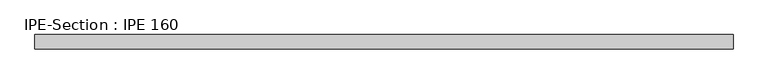
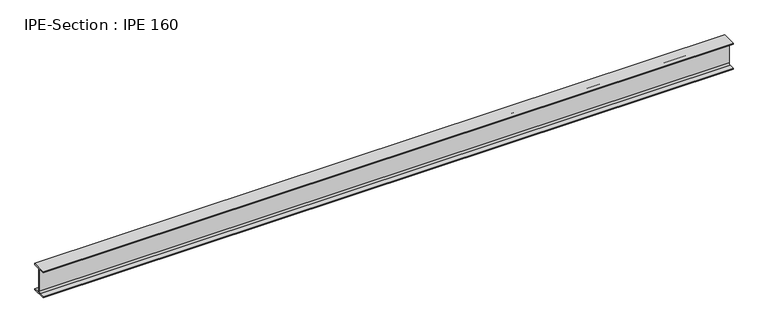
"""IFC4 building model written with IfcOpenShell, lengths in millimetres: beam geometry, IPE-Section : IPE 160."""

import ifcopenshell
import ifcopenshell.guid

model = None  # the IFC model being written
_history = None  # IfcOwnerHistory: only IFC2X3 demands one
_inside = {}  # id of a spatial element -> (the spatial element, [elements in it])
_under = {}  # id of a project, library or spatial element -> (it, [spatial elements below it])
_declared = {}  # id of a project -> (the project, [libraries it declares])
_typed = {}  # id of a type object -> (the type object, [elements of that type])
_made_of = {}  # id of a material, layer set ... -> (it, [elements and type objects made of it])


def new_model(schema):
    """Start an empty IFC model of exactly this schema.

    Asked for "IFC4X3", IfcOpenShell would pick the latest addendum, in which some entities
    have other attributes; the version numbers below select the first issue.
    IFC2X3 requires an IfcOwnerHistory on every rooted entity: one is made here for all.
    """
    global model, _history
    if schema == "IFC4X3":
        model = ifcopenshell.file(schema_version=(4, 3, 0, 0))
    else:
        model = ifcopenshell.file(schema=schema)
    _inside.clear()
    _under.clear()
    _declared.clear()
    _typed.clear()
    _made_of.clear()
    _history = None
    if model.schema == "IFC2X3":
        org = make("IfcOrganization", Name="unknown")
        user = make(
            "IfcPersonAndOrganization",
            ThePerson=make("IfcPerson", FamilyName="unknown"),
            TheOrganization=org,
        )
        app = make(
            "IfcApplication",
            ApplicationDeveloper=org,
            Version="unknown",
            ApplicationFullName="unknown",
            ApplicationIdentifier="unknown",
        )
        _history = make(
            "IfcOwnerHistory",
            OwningUser=user,
            OwningApplication=app,
            ChangeAction="ADDED",
            CreationDate=0,
        )
    return model


def make(cls, **values):
    """One entity of the class cls with the attributes given. An attribute that is None is left unset."""
    return model.create_entity(
        cls, **{name: value for name, value in values.items() if value is not None}
    )


def rooted(cls, **values):
    """An entity with a GlobalId (a new one), such as an element, a storey or a relation."""
    return make(cls, GlobalId=ifcopenshell.guid.new(), OwnerHistory=_history, **values)


def si_unit(unit_type, name, prefix=None):
    """IfcSIUnit, for example si_unit("LENGTHUNIT", "METRE", prefix="MILLI")."""
    return make("IfcSIUnit", UnitType=unit_type, Prefix=prefix, Name=name)


def assignment(units):
    """IfcUnitAssignment: the units of a project."""
    return None if units is None else make("IfcUnitAssignment", Units=units)


def point(xyz):
    """IfcCartesianPoint."""
    return None if xyz is None else make("IfcCartesianPoint", Coordinates=xyz)


def direction(xyz):
    """IfcDirection."""
    return None if xyz is None else make("IfcDirection", DirectionRatios=xyz)


def frame(location, z_axis=None, x_axis=None):
    """IfcAxis2Placement3D, a coordinate frame: its origin and axes. An axis left out is left unset."""
    return make(
        "IfcAxis2Placement3D",
        Location=point(location),
        Axis=direction(z_axis),
        RefDirection=direction(x_axis),
    )


def frame_2d(location, x_axis=None):
    """IfcAxis2Placement2D, a coordinate frame in the plane: its origin and x axis."""
    return make(
        "IfcAxis2Placement2D", Location=point(location), RefDirection=direction(x_axis)
    )


def origin():
    """The frame at (0, 0, 0) with its axes left unset."""
    return frame((0.0, 0.0, 0.0))


def place(relative_to, where):
    """IfcLocalPlacement: puts the frame where relative to a parent placement (None: the world)."""
    return make(
        "IfcLocalPlacement", PlacementRelTo=relative_to, RelativePlacement=where
    )


def context(
    kind, dimensions, precision=None, world=None, true_north=None, identifier=None
):
    """IfcGeometricRepresentationContext, for example the 3D "Model" context."""
    return make(
        "IfcGeometricRepresentationContext",
        ContextIdentifier=identifier,
        ContextType=kind,
        CoordinateSpaceDimension=dimensions,
        Precision=precision,
        WorldCoordinateSystem=world,
        TrueNorth=true_north,
    )


def project(units=None, contexts=None):
    """IfcProject with its units and contexts."""
    return rooted(
        "IfcProject",
        Name="project",
        RepresentationContexts=contexts,
        UnitsInContext=assignment(units),
    )


def spatial(cls, under=None, at=None, **own):
    """A site, building, storey or space (cls), placed at a placement, below another one or the project."""
    s = rooted(cls, ObjectPlacement=at, **own)
    if under is not None:
        _under.setdefault(under.id(), (under, []))[1].append(s)
    return s


def polyline(points):
    """IfcPolyline through the points."""
    return make("IfcPolyline", Points=[point(p) for p in points])


def circle_curve(where, radius):
    """IfcCircle in the frame where."""
    return make("IfcCircle", Position=where, Radius=radius)


def trimmed(basis, trim1, trim2, sense, master):
    """IfcTrimmedCurve: the piece of a basis curve between two trims."""
    return make(
        "IfcTrimmedCurve",
        BasisCurve=basis,
        Trim1=trim1,
        Trim2=trim2,
        SenseAgreement=sense,
        MasterRepresentation=master,
    )


def segment(curve, same_sense, transition):
    """IfcCompositeCurveSegment."""
    return make(
        "IfcCompositeCurveSegment",
        Transition=transition,
        SameSense=same_sense,
        ParentCurve=curve,
    )


def composite_curve(segments, self_intersect=None):
    """IfcCompositeCurve: segments joined end to end."""
    return make("IfcCompositeCurve", Segments=segments, SelfIntersect=self_intersect)


def outline(outer, holes=None, kind="AREA"):
    """IfcArbitraryClosedProfileDef: a profile drawn as a closed curve; with holes, ...WithVoids."""
    if holes is None:
        return make("IfcArbitraryClosedProfileDef", ProfileType=kind, OuterCurve=outer)
    return make(
        "IfcArbitraryProfileDefWithVoids",
        ProfileType=kind,
        OuterCurve=outer,
        InnerCurves=holes,
    )


def extrude(swept, where, along, depth):
    """IfcExtrudedAreaSolid: the profile swept, set in the frame where, extruded along a direction by depth."""
    return make(
        "IfcExtrudedAreaSolid",
        SweptArea=swept,
        Position=where,
        ExtrudedDirection=direction(along),
        Depth=depth,
    )


def shape(context_of_items, identifier, shape_type, items):
    """IfcShapeRepresentation: the items that make up one representation, for example the "Body"."""
    return make(
        "IfcShapeRepresentation",
        ContextOfItems=context_of_items,
        RepresentationIdentifier=identifier,
        RepresentationType=shape_type,
        Items=items,
    )


def source(mapping_origin, context_of_items, identifier, shape_type, items):
    """IfcRepresentationMap: a shape defined once, which mapped items show again and again."""
    return make(
        "IfcRepresentationMap",
        MappingOrigin=mapping_origin,
        MappedRepresentation=shape(context_of_items, identifier, shape_type, items),
    )


def transform(
    local_origin,
    x_axis=None,
    y_axis=None,
    z_axis=None,
    scale=None,
    scale2=None,
    scale3=None,
    uniform=True,
):
    """IfcCartesianTransformationOperator3D, or its non-uniform kind. x_axis, y_axis, z_axis: its Axis1, 2, 3."""
    if uniform:
        return make(
            "IfcCartesianTransformationOperator3D",
            Axis1=direction(x_axis),
            Axis2=direction(y_axis),
            LocalOrigin=point(local_origin),
            Scale=scale,
            Axis3=direction(z_axis),
        )
    return make(
        "IfcCartesianTransformationOperator3DnonUniform",
        Axis1=direction(x_axis),
        Axis2=direction(y_axis),
        LocalOrigin=point(local_origin),
        Scale=scale,
        Axis3=direction(z_axis),
        Scale2=scale2,
        Scale3=scale3,
    )


def mapped(mapping_source, mapping_target):
    """IfcMappedItem: shows the shape of a source again, moved by a transform."""
    return make(
        "IfcMappedItem", MappingSource=mapping_source, MappingTarget=mapping_target
    )


def made_of(thing, what):
    """Note that an element or type object is made of a material, layer set ...; save() writes the relation."""
    if what is not None:
        _made_of.setdefault(what.id(), (what, []))[1].append(thing)
    return thing


def element(
    cls,
    number,
    at=None,
    inside=None,
    cuts=None,
    type_object=None,
    material=None,
    context=None,
    identifier="Body",
    shape_type=None,
    held_by="IfcProductDefinitionShape",
    body=None,
    shapes=None,
    **own,
):
    """One element of the class cls, such as IfcWall. Its Tag is "e" and its number.

    at: its placement. inside: the storey or other place that contains it. cuts: it is an
    opening in that element (IfcRelVoidsElement). A single representation is given by context,
    identifier, shape_type and body (its items); several are given by shapes. held_by: the class
    of the entity that holds the representations. save() writes the other relations.
    """
    e = rooted(cls, Tag="e%d" % number, ObjectPlacement=at, **own)
    if body is not None:
        shapes = [shape(context, identifier, shape_type, body)]
    if shapes is not None:
        e.Representation = make(held_by, Representations=shapes)
    if inside is not None:
        _inside.setdefault(inside.id(), (inside, []))[1].append(e)
    if cuts is not None:
        rooted(
            "IfcRelVoidsElement", RelatingBuildingElement=cuts, RelatedOpeningElement=e
        )
    if type_object is not None:
        _typed.setdefault(type_object.id(), (type_object, []))[1].append(e)
    return made_of(e, material)


def aggregate(whole, parts):
    """IfcRelAggregates: a whole, such as a stair, and the parts it consists of."""
    return rooted("IfcRelAggregates", RelatingObject=whole, RelatedObjects=parts)


def save(model, path):
    """Write the relations noted so far, then the file.

    IfcRelAggregates (storeys below a building ...), IfcRelContainedInSpatialStructure (elements
    in a storey), IfcRelDefinesByType, IfcRelAssociatesMaterial and IfcRelDeclares: one each for
    every whole, place, type object, material and project.
    """
    for whole, parts in _under.values():
        aggregate(whole, parts)
    for where, things in _inside.values():
        rooted(
            "IfcRelContainedInSpatialStructure",
            RelatedElements=things,
            RelatingStructure=where,
        )
    for kind, things in _typed.values():
        rooted("IfcRelDefinesByType", RelatedObjects=things, RelatingType=kind)
    for what, things in _made_of.values():
        rooted("IfcRelAssociatesMaterial", RelatedObjects=things, RelatingMaterial=what)
    for by, libraries in _declared.values():
        rooted("IfcRelDeclares", RelatingContext=by, RelatedDefinitions=libraries)
    model.write(path)


def ipe_section_ipe_160_4dc35b92(model_context):
    return source(origin(), model_context, "Body", "SweptSolid", [
        extrude(outline(composite_curve([segment(polyline([(-41.0, -72.6), (-11.5, -72.6)]), True, "CONTINUOUS"), segment(trimmed(circle_curve(frame_2d((-11.5, -63.6)), 9.0), [point((-11.5, -72.6))], [point((-2.5, -63.6))], True, "CARTESIAN"), True, "CONTINUOUS"), segment(polyline([(-2.5, -63.6), (-2.5, 63.6)]), True, "CONTINUOUS"), segment(trimmed(circle_curve(frame_2d((-11.5, 63.6)), 9.0), [point((-2.5, 63.6))], [point((-11.5, 72.6))], True, "CARTESIAN"), True, "CONTINUOUS"), segment(polyline([(-11.5, 72.6), (-41.0, 72.6), (-41.0, 80.0), (41.0, 80.0), (41.0, 72.6), (11.5, 72.6)]), True, "CONTINUOUS"), segment(trimmed(circle_curve(frame_2d((11.5, 63.6)), 9.0), [point((11.5, 72.6))], [point((2.5, 63.6))], True, "CARTESIAN"), True, "CONTINUOUS"), segment(polyline([(2.5, 63.6), (2.5, -63.6)]), True, "CONTINUOUS"), segment(trimmed(circle_curve(frame_2d((11.5, -63.6)), 9.0), [point((2.5, -63.6))], [point((11.5, -72.6))], True, "CARTESIAN"), True, "CONTINUOUS"), segment(polyline([(11.5, -72.6), (41.0, -72.6), (41.0, -80.0), (-41.0, -80.0), (-41.0, -72.6)]), True, "CONTINUOUS")], self_intersect=False)), frame((-1985.2166667, 0.0, 0.0), z_axis=(1.0, 0.0, 0.0), x_axis=(0.0, 1.0, 0.0)), (0.0, 0.0, 1.0), 3960.4333333),
    ])


if __name__ == "__main__":
    model = new_model("IFC4")
    model_context = context("Model", 3, world=origin())
    ifc_project = project(units=[si_unit("LENGTHUNIT", "METRE", prefix="MILLI")], contexts=[model_context])
    site = spatial("IfcSite", under=ifc_project)
    building = spatial("IfcBuilding", under=site)
    placement = place(None, origin())
    ipe_section_ipe_160_shape = ipe_section_ipe_160_4dc35b92(model_context)
    element("IfcBeam", 1, ObjectType="IPE-Section : IPE 160", at=placement, inside=building, context=model_context, shape_type="MappedRepresentation", body=[
        mapped(ipe_section_ipe_160_shape, transform((0.0, 0.0, 0.0), x_axis=(1.0, 0.0, 0.0), y_axis=(0.0, 1.0, 0.0), z_axis=(0.0, 0.0, 1.0))),
    ])
    save(model, "model.ifc")
